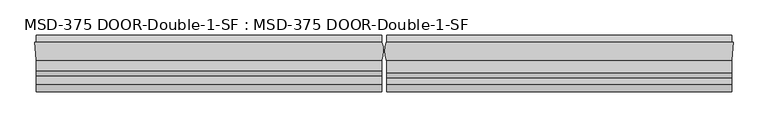
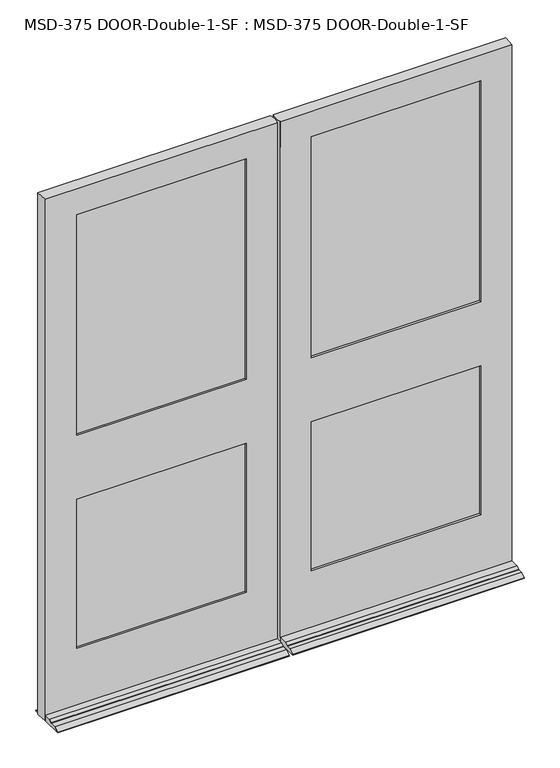
"""IFC4 building model written with IfcOpenShell, lengths in millimetres: plate geometry, MSD-375 DOOR-Double-1-SF : MSD-375 DOOR-Double-1-SF."""

from ifc_helpers import new_model, si_unit, frame, origin, place, context, project, spatial, polyline, circle_curve, outline, extrude, source, transform, mapped, element, save
from ifc_brep_helpers import plane_surface, cylinder_surface, advanced_brep


def msd_375_door_double_1_sf_msd_375_door_double_1_sf_7f9ff269(model_context):
    return source(origin(), model_context, "Body", "SolidModel", [
        advanced_brep(
        [(-875.0542327, -44.45, 0.0), (-877.8228327, 0.0, 0.0), (-874.8313901, 0.0, 0.0), (-874.8313901, 19.05, 0.0), (-6.1450388, 19.05, 0.0), (-6.1450388, 0.0, 0.0), (-5.5889985, 0.0, 0.0), (-6.1450388, -44.45, 0.0), (-6.1450388, -123.825, 0.0), (-874.8313901, -123.825, 0.0), (-874.8313901, -44.45, 0.0), (-6.1450388, -44.45, 21.4376), (-6.1450388, -70.3199, 21.4376), (-6.1450388, -82.7405, 14.2748), (-6.1450388, -82.7405, 12.7), (-6.1450388, -104.775, 12.7), (-6.1450388, -123.825, 3.175), (-6.1450388, 19.05, 3.175), (-6.1450388, 0.0, 12.7), (-874.8313901, 0.0, 12.7), (-874.8313901, 19.05, 3.175), (-874.8313901, -123.825, 3.175), (-874.8313901, -104.775, 12.7), (-874.8313901, -82.7405, 12.7), (-874.8313901, -82.7405, 14.2748), (-874.8313901, -70.3199, 21.4376), (-874.8313901, -44.45, 21.4376), (-122.2373508, -11.6078, 1070.7624), (-122.2373508, -37.0078, 1070.7624), (-122.2373508, -37.0078, 856.4372), (-122.2373508, -11.6078, 856.4372), (-122.2373508, 0.0, 836.5998), (-122.2373508, 0.0, 246.0625), (-122.2373508, -11.6078, 246.0625), (-122.2373508, -11.6078, 836.5998), (-122.2373508, -11.6078, 1090.5998), (-122.2373508, -11.6078, 1965.325), (-122.2373508, 0.0, 1965.325), (-122.2373508, 0.0, 1090.5998), (-102.3999508, -37.0078, 1985.1624), (-102.3999508, -11.6078, 1985.1624), (-102.3999508, -11.6078, 226.21875), (-102.3999508, -37.0078, 226.21875), (-122.2373508, -37.0078, 836.5998), (-122.2373508, -37.0078, 246.0625), (-122.2373508, -44.45, 246.0625), (-122.2373508, -44.45, 836.5998), (-122.2373508, -44.45, 1090.5998), (-122.2373508, -44.45, 1965.325), (-122.2373508, -37.0078, 1965.325), (-122.2373508, -37.0078, 1090.5998), (-757.1728327, -44.45, 246.0625), (-757.1728327, -37.0078, 246.0625), (-757.1728327, -37.0078, 836.5998), (-757.1728327, -44.45, 836.5998), (-757.1728327, -37.0078, 1965.325), (-757.1728327, -44.45, 1965.325), (-757.1728327, -44.45, 1090.5998), (-757.1728327, -37.0078, 1090.5998), (-777.0102327, -11.6078, 1985.1624), (-777.0102327, -37.0078, 1985.1624), (-777.0102327, -37.0078, 226.21875), (-777.0102327, -11.6078, 226.21875), (-757.1728327, -11.6078, 246.0625), (-757.1728327, 0.0, 246.0625), (-757.1728327, 0.0, 836.5998), (-757.1728327, -11.6078, 836.5998), (-757.1728327, 0.0, 1965.325), (-757.1728327, -11.6078, 1965.325), (-757.1728327, -11.6078, 1090.5998), (-757.1728327, 0.0, 1090.5998), (-757.1728327, -11.6078, 1070.7624), (-757.1728327, -37.0078, 1070.7624), (-757.1728327, -37.0078, 856.4372), (-757.1728327, -11.6078, 856.4372), (-5.5889985, 0.0, 2066.925), (-6.1450388, -44.45, 2066.925), (-875.0542327, -44.45, 2066.925), (-877.8228327, 0.0, 2066.925)],
        [
            (0, 1),
            (1, 2),
            (2, 3),
            (3, 4),
            (4, 5),
            (5, 6),
            (6, 7, circle_curve(frame((-61.4514685, -21.529675, 0.0), z_axis=(0.0, 0.0, -1.0), x_axis=(0.0, -1.0, 0.0)), 59.867708)),
            (7, 8),
            (8, 9),
            (9, 10),
            (10, 0),
            (11, 12),
            (12, 13),
            (13, 14),
            (14, 15),
            (15, 16),
            (16, 8),
            (7, 11),
            (4, 17),
            (17, 18),
            (18, 5),
            (19, 20),
            (20, 3),
            (2, 19),
            (9, 21),
            (21, 22),
            (22, 23),
            (23, 24),
            (24, 25),
            (25, 26),
            (26, 10),
            (27, 28),
            (28, 29),
            (29, 30),
            (30, 27),
            (31, 32),
            (32, 33),
            (33, 34),
            (34, 31),
            (35, 36),
            (36, 37),
            (37, 38),
            (38, 35),
            (39, 40),
            (40, 41),
            (41, 42),
            (42, 39),
            (43, 44),
            (44, 45),
            (45, 46),
            (46, 43),
            (47, 48),
            (48, 49),
            (49, 50),
            (50, 47),
            (51, 52),
            (52, 53),
            (53, 54),
            (54, 51),
            (55, 56),
            (56, 57),
            (57, 58),
            (58, 55),
            (59, 60),
            (60, 61),
            (61, 62),
            (62, 59),
            (63, 64),
            (64, 65),
            (65, 66),
            (66, 63),
            (67, 68),
            (68, 69),
            (69, 70),
            (70, 67),
            (63, 33),
            (32, 64),
            (61, 42),
            (41, 62),
            (51, 45),
            (44, 52),
            (11, 26),
            (25, 12),
            (24, 13),
            (23, 14),
            (22, 15),
            (21, 16),
            (20, 17),
            (19, 18),
            (38, 70),
            (69, 35),
            (27, 71),
            (71, 72),
            (72, 28),
            (50, 58),
            (57, 47),
            (46, 54),
            (53, 43),
            (29, 73),
            (73, 74),
            (74, 30),
            (34, 66),
            (65, 31),
            (75, 76, circle_curve(frame((-61.4514685, -21.529675, 2066.925), z_axis=(0.0, 0.0, -1.0), x_axis=(0.0, -1.0, 0.0)), 59.867708)),
            (76, 11),
            (6, 75),
            (77, 78),
            (78, 1),
            (0, 77),
            (78, 75),
            (37, 67),
            (36, 68),
            (40, 59),
            (74, 71),
            (39, 60),
            (49, 55),
            (72, 73),
            (48, 56),
            (76, 77),
        ],
        [
            plane_surface(frame((-882.65, -24.3078, 0.0), z_axis=(0.0, 0.0, -1.0), x_axis=(0.0, -1.0, 0.0))),
            plane_surface(frame((-6.1450388, -24.3078, 0.0), z_axis=(1.0, 0.0, 0.0), x_axis=(0.0, -1.0, 0.0))),
            plane_surface(frame((-874.8313901, -24.3078, 0.0), z_axis=(-1.0, 0.0, 0.0), x_axis=(0.0, -1.0, 0.0))),
            plane_surface(frame((-122.2373508, -24.3078, 1039.8125), z_axis=(1.0, 0.0, 0.0), x_axis=(0.0, -1.0, 0.0))),
            plane_surface(frame((-122.2373508, 0.0, 2066.925), z_axis=(-1.0, 0.0, 0.0), x_axis=(0.0, 0.0, -1.0))),
            plane_surface(frame((-102.3999508, -11.6078, 2066.925), z_axis=(-1.0, 0.0, 0.0), x_axis=(0.0, 0.0, -1.0))),
            plane_surface(frame((-122.2373508, -37.0078, 2066.925), z_axis=(-1.0, 0.0, 0.0), x_axis=(0.0, 0.0, -1.0))),
            plane_surface(frame((-757.1728327, -44.45, 2066.925), z_axis=(1.0, 0.0, 0.0), x_axis=(0.0, 0.0, -1.0))),
            plane_surface(frame((-777.0102327, -37.0078, 2066.925), z_axis=(1.0, 0.0, 0.0), x_axis=(0.0, 0.0, -1.0))),
            plane_surface(frame((-757.1728327, -11.6078, 2066.925), z_axis=(1.0, 0.0, 0.0), x_axis=(0.0, 0.0, -1.0))),
            plane_surface(frame((-6.1450388, 0.0, 246.0625), z_axis=(0.0, 0.0, 1.0), x_axis=(-1.0, 0.0, 0.0))),
            plane_surface(frame((-6.1450388, -11.6078, 226.21875), z_axis=(0.0, 0.0, 1.0), x_axis=(-1.0, 0.0, 0.0))),
            plane_surface(frame((-6.1450388, -37.0078, 246.0625), z_axis=(0.0, 0.0, 1.0), x_axis=(-1.0, 0.0, 0.0))),
            plane_surface(frame((-6.1450388, -44.45, 21.4376), z_axis=(0.0, 0.0, 1.0), x_axis=(-1.0, 0.0, 0.0))),
            plane_surface(frame((-6.1450388, -70.3199, 21.4376), z_axis=(0.0, -0.499569084188723, 0.8662740502420933), x_axis=(-1.0, 0.0, 0.0))),
            plane_surface(frame((-6.1450388, -82.7405, 14.2748), z_axis=(0.0, -1.0, 0.0), x_axis=(-1.0, 0.0, 0.0))),
            plane_surface(frame((-6.1450388, -82.7405, 12.7), z_axis=(0.0, 0.0, 1.0), x_axis=(-1.0, 0.0, 0.0))),
            plane_surface(frame((-6.1450388, -104.775, 12.7), z_axis=(0.0, -0.44721359549995665, 0.8944271909999165), x_axis=(-1.0, 0.0, 0.0))),
            plane_surface(frame((-6.1450388, -123.825, 3.175), z_axis=(0.0, -1.0, 0.0), x_axis=(-1.0, 0.0, 0.0))),
            plane_surface(frame((-6.1450388, 19.05, 0.0), z_axis=(0.0, 1.0, 0.0), x_axis=(-1.0, 0.0, 0.0))),
            plane_surface(frame((-6.1450388, 19.05, 3.175), z_axis=(0.0, 0.4472135954998658, 0.8944271909999619), x_axis=(-1.0, 0.0, 0.0))),
            plane_surface(frame((-122.2373508, 0.0, 1090.5998), z_axis=(0.0, 0.0, 1.0), x_axis=(-1.0, 0.0, 0.0))),
            plane_surface(frame((-122.2373508, -11.6078, 1070.7624), z_axis=(0.0, 0.0, 1.0), x_axis=(-1.0, 0.0, 0.0))),
            plane_surface(frame((-122.2373508, -37.0078, 1090.5998), z_axis=(0.0, 0.0, 1.0), x_axis=(-1.0, 0.0, 0.0))),
            plane_surface(frame((-122.2373508, -44.45, 836.5998), z_axis=(0.0, 0.0, -1.0), x_axis=(-1.0, 0.0, 0.0))),
            plane_surface(frame((-122.2373508, -37.0078, 856.4372), z_axis=(0.0, 0.0, -1.0), x_axis=(-1.0, 0.0, 0.0))),
            plane_surface(frame((-122.2373508, -11.6078, 836.5998), z_axis=(0.0, 0.0, -1.0), x_axis=(-1.0, 0.0, 0.0))),
            cylinder_surface(frame((-61.4514685, -21.529675, 2066.925), z_axis=(0.0, 0.0, 1.0), x_axis=(0.0, -1.0, 0.0)), 59.867708),
            plane_surface(frame((-877.8228327, 0.0, 2066.925), z_axis=(-0.9980658706879192, -0.06216524565998223, 0.0), x_axis=(0.0, 0.0, -1.0))),
            plane_surface(frame((-875.0542327, 0.0, 2066.925), z_axis=(0.0, 1.0, 0.0), x_axis=(1.0, 0.0, 0.0))),
            plane_surface(frame((-875.0542327, 0.0, 1965.325), z_axis=(0.0, 0.0, -1.0), x_axis=(1.0, 0.0, 0.0))),
            plane_surface(frame((-875.0542327, -11.6078, 1965.325), z_axis=(0.0, -1.0, 0.0), x_axis=(1.0, 0.0, 0.0))),
            plane_surface(frame((-875.0542327, -11.6078, 1985.1624), z_axis=(0.0, 0.0, -1.0), x_axis=(1.0, 0.0, 0.0))),
            plane_surface(frame((-875.0542327, -37.0078, 1985.1624), z_axis=(0.0, 1.0, 0.0), x_axis=(1.0, 0.0, 0.0))),
            plane_surface(frame((-875.0542327, -37.0078, 1965.325), z_axis=(0.0, 0.0, -1.0), x_axis=(1.0, 0.0, 0.0))),
            plane_surface(frame((-875.0542327, -44.45, 1965.325), z_axis=(0.0, -1.0, 0.0), x_axis=(1.0, 0.0, 0.0))),
            plane_surface(frame((-875.0542327, -44.45, 2066.925), z_axis=(0.0, 0.0, 1.0), x_axis=(1.0, 0.0, 0.0))),
            plane_surface(frame((-757.1728327, -24.3078, 1039.8125), z_axis=(-1.0, 0.0, 0.0), x_axis=(0.0, -1.0, 0.0))),
        ],
        [
            (0, [[1, 2, 3, 4, 5, 6, 7, 8, 9, 10, 11]]),
            (1, [[12, 13, 14, 15, 16, 17, -8, 18]]),
            (1, [[19, 20, 21, -5]]),
            (2, [[22, 23, -3, 24]]),
            (2, [[25, 26, 27, 28, 29, 30, 31, -10]]),
            (3, [[32, 33, 34, 35]]),
            (4, [[36, 37, 38, 39]]),
            (4, [[40, 41, 42, 43]]),
            (5, [[44, 45, 46, 47]]),
            (6, [[48, 49, 50, 51]]),
            (6, [[52, 53, 54, 55]]),
            (7, [[56, 57, 58, 59]]),
            (7, [[60, 61, 62, 63]]),
            (8, [[64, 65, 66, 67]]),
            (9, [[68, 69, 70, 71]]),
            (9, [[72, 73, 74, 75]]),
            (10, [[-68, 76, -37, 77]]),
            (11, [[-66, 78, -46, 79]]),
            (12, [[-56, 80, -49, 81]]),
            (13, [[-12, 82, -30, 83]]),
            (14, [[-13, -83, -29, 84]]),
            (15, [[-14, -84, -28, 85]]),
            (16, [[-15, -85, -27, 86]]),
            (17, [[-16, -86, -26, 87]]),
            (18, [[-17, -87, -25, -9]]),
            (19, [[-19, -4, -23, 88]]),
            (20, [[-20, -88, -22, 89]]),
            (21, [[90, -74, 91, -43]]),
            (22, [[-32, 92, 93, 94]]),
            (23, [[95, -62, 96, -55]]),
            (24, [[97, -58, 98, -51]]),
            (25, [[-34, 99, 100, 101]]),
            (26, [[102, -70, 103, -39]]),
            (27, [[104, 105, -18, -7, 106]]),
            (28, [[107, 108, -1, 109]]),
            (29, [[-108, 110, -106, -6, -21, -89, -24, -2], [-90, -42, 111, -75], [-103, -69, -77, -36]]),
            (30, [[-72, -111, -41, 112]]),
            (31, [[-67, -79, -45, 113], [-92, -35, -101, 114], [-102, -38, -76, -71], [-91, -73, -112, -40]]),
            (32, [[-64, -113, -44, 115]]),
            (33, [[-65, -115, -47, -78], [-95, -54, 116, -63], [-94, 117, -99, -33], [-98, -57, -81, -48]]),
            (34, [[-60, -116, -53, 118]]),
            (35, [[-109, -11, -31, -82, -105, 119], [-97, -50, -80, -59], [-96, -61, -118, -52]]),
            (36, [[-107, -119, -104, -110]]),
            (37, [[-100, -117, -93, -114]]),
        ],
    ),
        advanced_brep(
        [(6.1450388, -44.45, 0.0), (5.5889985, 0.0, 0.0), (6.1450388, 0.0, 0.0), (6.1450388, 19.05, 0.0), (874.3187994, 19.05, 0.0), (874.3187994, 0.0, 0.0), (877.310242, 0.0, 0.0), (874.541642, -44.45, 0.0), (874.3187994, -44.45, 0.0), (874.3187994, -123.825, 0.0), (6.1450388, -123.825, 0.0), (874.3187994, -44.45, 21.4376), (874.3187994, -75.87615, 21.4376), (874.3187994, -88.29675, 14.2748), (874.3187994, -88.29675, 12.7), (874.3187994, -104.775, 12.7), (874.3187994, -123.825, 3.175), (874.3187994, 19.05, 3.175), (874.3187994, 0.0, 12.7), (6.1450388, 0.0, 12.7), (6.1450388, 19.05, 3.175), (6.1450388, -123.825, 3.175), (6.1450388, -104.775, 12.7), (6.1450388, -88.29675, 12.7), (6.1450388, -88.29675, 14.2748), (6.1450388, -75.87615, 21.4376), (6.1450388, -44.45, 21.4376), (5.5889985, -44.45, 1965.325), (5.5889985, -44.45, 2066.925), (5.5889985, -43.05935, 2066.925), (5.5889985, -43.05935, 1965.325), (122.2376492, -37.0078, 1070.7624), (122.2376492, -11.6078, 1070.7624), (122.2376492, -11.6078, 856.4499), (122.2376492, -37.0078, 856.4499), (122.2376492, -37.0078, 1965.325), (122.2376492, -44.45, 1965.325), (122.2376492, -44.45, 1090.5998), (122.2376492, -37.0078, 1090.5998), (122.2376492, -37.0078, 836.5998), (122.2376492, -44.45, 836.5998), (122.2376492, -44.45, 246.0625), (122.2376492, -37.0078, 246.0625), (102.4002492, -11.6078, 226.21875), (102.4002492, -11.6078, 1985.1624), (102.4002492, -37.0078, 1985.1624), (102.4002492, -37.0078, 226.21875), (122.2376492, 0.0, 1965.325), (122.2376492, -11.6078, 1965.325), (122.2376492, -11.6078, 1090.5998), (122.2376492, 0.0, 1090.5998), (122.2376492, 0.0, 836.5998), (122.2376492, -11.6078, 836.5998), (122.2376492, -11.6078, 246.0625), (122.2376492, 0.0, 246.0625), (756.660242, -11.6078, 1965.325), (756.660242, 0.0, 1965.325), (756.660242, 0.0, 1090.5998), (756.660242, -11.6078, 1090.5998), (756.660242, -11.6078, 836.5998), (756.660242, 0.0, 836.5998), (756.660242, 0.0, 246.0625), (756.660242, -11.6078, 246.0625), (776.497642, -11.6078, 1985.1624), (776.497642, -11.6078, 226.21875), (756.660242, -11.6078, 856.4499), (756.660242, -11.6078, 1070.7624), (776.497642, -37.0078, 226.21875), (776.497642, -37.0078, 1985.1624), (756.660242, -37.0078, 246.0625), (756.660242, -37.0078, 836.5998), (756.660242, -37.0078, 1965.325), (756.660242, -37.0078, 1090.5998), (756.660242, -37.0078, 856.4499), (756.660242, -37.0078, 1070.7624), (756.660242, -44.45, 1965.325), (756.660242, -44.45, 1090.5998), (756.660242, -44.45, 836.5998), (756.660242, -44.45, 246.0625), (6.1450388, -44.45, 1965.325), (874.541642, -44.45, 2066.925), (877.310242, 0.0, 2066.925), (5.5889985, 0.0, 2066.925)],
        [
            (0, 1, circle_curve(frame((61.4514685, -21.529675, 0.0), z_axis=(0.0, 0.0, -1.0), x_axis=(0.0, -1.0, 0.0)), 59.867708)),
            (1, 2),
            (2, 3),
            (3, 4),
            (4, 5),
            (5, 6),
            (6, 7),
            (7, 8),
            (8, 9),
            (9, 10),
            (10, 0),
            (11, 12),
            (12, 13),
            (13, 14),
            (14, 15),
            (15, 16),
            (16, 9),
            (8, 11),
            (4, 17),
            (17, 18),
            (18, 5),
            (19, 20),
            (20, 3),
            (2, 19),
            (10, 21),
            (21, 22),
            (22, 23),
            (23, 24),
            (24, 25),
            (25, 26),
            (26, 0),
            (27, 28),
            (28, 29),
            (29, 30),
            (30, 27),
            (31, 32),
            (32, 33),
            (33, 34),
            (34, 31),
            (35, 36),
            (36, 37),
            (37, 38),
            (38, 35),
            (39, 40),
            (40, 41),
            (41, 42),
            (42, 39),
            (43, 44),
            (44, 45),
            (45, 46),
            (46, 43),
            (47, 48),
            (48, 49),
            (49, 50),
            (50, 47),
            (51, 52),
            (52, 53),
            (53, 54),
            (54, 51),
            (55, 56),
            (56, 57),
            (57, 58),
            (58, 55),
            (59, 60),
            (60, 61),
            (61, 62),
            (62, 59),
            (63, 44),
            (43, 64),
            (64, 63),
            (62, 53),
            (52, 59),
            (48, 55),
            (58, 49),
            (65, 33),
            (32, 66),
            (66, 65),
            (67, 68),
            (68, 63),
            (64, 67),
            (45, 68),
            (67, 46),
            (42, 69),
            (69, 70),
            (70, 39),
            (71, 35),
            (38, 72),
            (72, 71),
            (34, 73),
            (73, 74),
            (74, 31),
            (75, 71),
            (72, 76),
            (76, 75),
            (77, 70),
            (69, 78),
            (78, 77),
            (27, 79),
            (79, 26),
            (26, 11),
            (7, 80),
            (80, 28),
            (78, 41),
            (40, 77),
            (36, 75),
            (76, 37),
            (81, 80),
            (6, 81),
            (18, 19),
            (1, 82),
            (82, 81),
            (54, 61),
            (60, 51),
            (56, 47),
            (50, 57),
            (30, 79, circle_curve(frame((61.4514685, -21.529675, 1965.325), z_axis=(0.0, 0.0, 1.0), x_axis=(0.0, -1.0, 0.0)), 59.867708)),
            (25, 12),
            (65, 73),
            (74, 66),
            (29, 82, circle_curve(frame((61.4514685, -21.529675, 2066.925), z_axis=(0.0, 0.0, -1.0), x_axis=(0.0, -1.0, 0.0)), 59.867708)),
            (24, 13),
            (23, 14),
            (22, 15),
            (21, 16),
            (20, 17),
        ],
        [
            plane_surface(frame((-882.65, -24.3078, 0.0), z_axis=(0.0, 0.0, -1.0), x_axis=(0.0, -1.0, 0.0))),
            plane_surface(frame((874.3187994, -24.3078, 0.0), z_axis=(1.0, 0.0, 0.0), x_axis=(0.0, -1.0, 0.0))),
            plane_surface(frame((6.1450388, -24.3078, 0.0), z_axis=(-1.0, 0.0, 0.0), x_axis=(0.0, -1.0, 0.0))),
            plane_surface(frame((5.5889985, -24.3078, 2079.625), z_axis=(-1.0, 0.0, 0.0), x_axis=(0.0, -1.0, 0.0))),
            plane_surface(frame((122.2376492, -24.3078, 1039.8125), z_axis=(-1.0, 0.0, 0.0), x_axis=(0.0, -1.0, 0.0))),
            plane_surface(frame((122.2376492, -44.45, 2066.925), z_axis=(1.0, 0.0, 0.0), x_axis=(0.0, 0.0, -1.0))),
            plane_surface(frame((102.4002492, -37.0078, 2066.925), z_axis=(1.0, 0.0, 0.0), x_axis=(0.0, 0.0, -1.0))),
            plane_surface(frame((122.2376492, -11.6078, 2066.925), z_axis=(1.0, 0.0, 0.0), x_axis=(0.0, 0.0, -1.0))),
            plane_surface(frame((756.660242, 0.0, 2066.925), z_axis=(-1.0, 0.0, 0.0), x_axis=(0.0, 0.0, -1.0))),
            plane_surface(frame((756.660242, -11.6078, 2066.925), z_axis=(0.0, -1.0, 0.0), x_axis=(0.0, 0.0, -1.0))),
            plane_surface(frame((776.497642, -11.6078, 2066.925), z_axis=(-1.0, 0.0, 0.0), x_axis=(0.0, 0.0, -1.0))),
            plane_surface(frame((776.497642, -37.0078, 2066.925), z_axis=(0.0, 1.0, 0.0), x_axis=(0.0, 0.0, -1.0))),
            plane_surface(frame((756.660242, -37.0078, 2066.925), z_axis=(-1.0, 0.0, 0.0), x_axis=(0.0, 0.0, -1.0))),
            plane_surface(frame((756.660242, -44.45, 2066.925), z_axis=(0.0, -1.0, 0.0), x_axis=(0.0, 0.0, -1.0))),
            plane_surface(frame((874.541642, -44.45, 2066.925), z_axis=(0.9980658706879184, -0.062165245659993755, 0.0), x_axis=(0.0, 0.0, -1.0))),
            plane_surface(frame((877.310242, 0.0, 2066.925), z_axis=(0.0, 1.0, 0.0), x_axis=(0.0, 0.0, -1.0))),
            plane_surface(frame((5.5889985, 0.0, 1965.325), z_axis=(0.0, 0.0, -1.0), x_axis=(1.0, 0.0, 0.0))),
            plane_surface(frame((5.5889985, -11.6078, 1985.1624), z_axis=(0.0, 0.0, -1.0), x_axis=(1.0, 0.0, 0.0))),
            plane_surface(frame((5.5889985, -37.0078, 1965.325), z_axis=(0.0, 0.0, -1.0), x_axis=(1.0, 0.0, 0.0))),
            plane_surface(frame((874.3187994, 0.0, 246.0625), z_axis=(0.0, 0.0, 1.0), x_axis=(-1.0, 0.0, 0.0))),
            plane_surface(frame((874.3187994, -11.6078, 226.21875), z_axis=(0.0, 0.0, 1.0), x_axis=(-1.0, 0.0, 0.0))),
            plane_surface(frame((874.3187994, -37.0078, 246.0625), z_axis=(0.0, 0.0, 1.0), x_axis=(-1.0, 0.0, 0.0))),
            plane_surface(frame((874.3187994, -44.45, 21.4376), z_axis=(0.0, 0.0, 1.0), x_axis=(-1.0, 0.0, 0.0))),
            plane_surface(frame((756.660242, -44.45, 836.5998), z_axis=(0.0, 0.0, -1.0), x_axis=(-1.0, 0.0, 0.0))),
            plane_surface(frame((756.660242, -37.0078, 856.4499), z_axis=(0.0, 0.0, -1.0), x_axis=(-1.0, 0.0, 0.0))),
            plane_surface(frame((756.660242, -11.6078, 836.5998), z_axis=(0.0, 0.0, -1.0), x_axis=(-1.0, 0.0, 0.0))),
            plane_surface(frame((756.660242, 0.0, 1090.5998), z_axis=(0.0, 0.0, 1.0), x_axis=(-1.0, 0.0, 0.0))),
            plane_surface(frame((756.660242, -11.6078, 1070.7624), z_axis=(0.0, 0.0, 1.0), x_axis=(-1.0, 0.0, 0.0))),
            plane_surface(frame((756.660242, -37.0078, 1090.5998), z_axis=(0.0, 0.0, 1.0), x_axis=(-1.0, 0.0, 0.0))),
            cylinder_surface(frame((61.4514685, -21.529675, 2066.925), z_axis=(0.0, 0.0, 1.0), x_axis=(0.0, -1.0, 0.0)), 59.867708),
            plane_surface(frame((-875.0542327, -44.45, 2066.925), z_axis=(0.0, 0.0, 1.0), x_axis=(1.0, 0.0, 0.0))),
            plane_surface(frame((874.3187994, -75.87615, 21.4376), z_axis=(0.0, -0.49956908418867013, 0.8662740502421237), x_axis=(-1.0, 0.0, 0.0))),
            plane_surface(frame((874.3187994, -88.29675, 14.2748), z_axis=(0.0, -1.0, 0.0), x_axis=(-1.0, 0.0, 0.0))),
            plane_surface(frame((874.3187994, -88.29675, 12.7), z_axis=(0.0, 0.0, 1.0), x_axis=(-1.0, 0.0, 0.0))),
            plane_surface(frame((874.3187994, -104.775, 12.7), z_axis=(0.0, -0.44721359549996115, 0.8944271909999144), x_axis=(-1.0, 0.0, 0.0))),
            plane_surface(frame((874.3187994, -123.825, 3.175), z_axis=(0.0, -1.0, 0.0), x_axis=(-1.0, 0.0, 0.0))),
            plane_surface(frame((874.3187994, 19.05, 0.0), z_axis=(0.0, 1.0, 0.0), x_axis=(-1.0, 0.0, 0.0))),
            plane_surface(frame((874.3187994, 19.05, 3.175), z_axis=(0.0, 0.4472135954999116, 0.8944271909999391), x_axis=(-1.0, 0.0, 0.0))),
            plane_surface(frame((756.660242, -24.3078, 1039.8125), z_axis=(1.0, 0.0, 0.0), x_axis=(0.0, -1.0, 0.0))),
        ],
        [
            (0, [[1, 2, 3, 4, 5, 6, 7, 8, 9, 10, 11]]),
            (1, [[12, 13, 14, 15, 16, 17, -9, 18]]),
            (1, [[19, 20, 21, -5]]),
            (2, [[22, 23, -3, 24]]),
            (2, [[25, 26, 27, 28, 29, 30, 31, -11]]),
            (3, [[32, 33, 34, 35]]),
            (4, [[36, 37, 38, 39]]),
            (5, [[40, 41, 42, 43]]),
            (5, [[44, 45, 46, 47]]),
            (6, [[48, 49, 50, 51]]),
            (7, [[52, 53, 54, 55]]),
            (7, [[56, 57, 58, 59]]),
            (8, [[60, 61, 62, 63]]),
            (8, [[64, 65, 66, 67]]),
            (9, [[68, -48, 69, 70], [-67, 71, -57, 72], [73, -63, 74, -53], [75, -37, 76, 77]]),
            (10, [[78, 79, -70, 80]]),
            (11, [[81, -78, 82, -50], [-47, 83, 84, 85], [86, -43, 87, 88], [89, 90, 91, -39]]),
            (12, [[92, -88, 93, 94]]),
            (12, [[95, -84, 96, 97]]),
            (13, [[-32, 98, 99, 100, -18, -8, 101, 102], [-97, 103, -45, 104], [105, -94, 106, -41]]),
            (14, [[107, -101, -7, 108]]),
            (15, [[-108, -6, -21, 109, -24, -2, 110, 111], [-59, 112, -65, 113], [114, -55, 115, -61]]),
            (16, [[-73, -52, -114, -60]]),
            (17, [[-79, -81, -49, -68]]),
            (18, [[-98, -35, 116]]),
            (18, [[-105, -40, -86, -92]]),
            (19, [[-112, -58, -71, -66]]),
            (20, [[-82, -80, -69, -51]]),
            (21, [[-83, -46, -103, -96]]),
            (22, [[-12, -100, -30, 117]]),
            (23, [[-104, -44, -85, -95]]),
            (24, [[118, -89, -38, -75]]),
            (25, [[-72, -56, -113, -64]]),
            (26, [[-115, -54, -74, -62]]),
            (27, [[119, -76, -36, -91]]),
            (28, [[-106, -93, -87, -42]]),
            (29, [[-1, -31, -99, -116, -34, 120, -110]]),
            (30, [[-107, -111, -120, -33, -102]]),
            (31, [[-13, -117, -29, 121]]),
            (32, [[-14, -121, -28, 122]]),
            (33, [[-15, -122, -27, 123]]),
            (34, [[-16, -123, -26, 124]]),
            (35, [[-17, -124, -25, -10]]),
            (36, [[-19, -4, -23, 125]]),
            (37, [[-109, -20, -125, -22]]),
            (38, [[-118, -77, -119, -90]]),
        ],
    ),
        extrude(outline(polyline([(-777.0102327, -11.6078), (-102.4001, -11.6078), (-102.4001, -16.6878), (-777.0102327, -16.6878), (-777.0102327, -11.6078)])), frame((0.0, 0.0, 226.21875), z_axis=(0.0, 0.0, 1.0), x_axis=(1.0, 0.0, 0.0)), (0.0, 0.0, 1.0), 630.23115),
        extrude(outline(polyline([(-102.4001, -26.0858), (-102.4001, -31.1658), (-777.0102327, -31.1658), (-777.0102327, -26.0858), (-102.4001, -26.0858)])), frame((0.0, 0.0, 226.21875), z_axis=(0.0, 0.0, 1.0), x_axis=(1.0, 0.0, 0.0)), (0.0, 0.0, 1.0), 630.23115),
        extrude(outline(polyline([(-777.0102327, -31.9278), (-102.4001, -31.9278), (-102.4001, -37.0078), (-777.0102327, -37.0078), (-777.0102327, -31.9278)])), frame((0.0, 0.0, 226.21875), z_axis=(0.0, 0.0, 1.0), x_axis=(1.0, 0.0, 0.0)), (0.0, 0.0, 1.0), 630.23115),
        extrude(outline(polyline([(102.4002492, -11.6078), (776.497642, -11.6078), (776.497642, -16.6878), (102.4002492, -16.6878), (102.4002492, -11.6078)])), frame((0.0, 0.0, 226.21875), z_axis=(0.0, 0.0, 1.0), x_axis=(1.0, 0.0, 0.0)), (0.0, 0.0, 1.0), 630.23115),
        extrude(outline(polyline([(776.497642, -26.0858), (776.497642, -31.1658), (102.4002492, -31.1658), (102.4002492, -26.0858), (776.497642, -26.0858)])), frame((0.0, 0.0, 226.21875), z_axis=(0.0, 0.0, 1.0), x_axis=(1.0, 0.0, 0.0)), (0.0, 0.0, 1.0), 630.23115),
        extrude(outline(polyline([(102.4002492, -31.9278), (776.497642, -31.9278), (776.497642, -37.0078), (102.4002492, -37.0078), (102.4002492, -31.9278)])), frame((0.0, 0.0, 226.21875), z_axis=(0.0, 0.0, 1.0), x_axis=(1.0, 0.0, 0.0)), (0.0, 0.0, 1.0), 630.23115),
        extrude(outline(polyline([(-777.0102327, -11.6078), (-102.3999508, -11.6078), (-102.3999508, -16.6878), (-777.0102327, -16.6878), (-777.0102327, -11.6078)])), frame((0.0, 0.0, 1070.7624), z_axis=(0.0, 0.0, 1.0), x_axis=(1.0, 0.0, 0.0)), (0.0, 0.0, 1.0), 914.4),
        extrude(outline(polyline([(-102.4001, -26.0858), (-102.4001, -31.1658), (-777.0102327, -31.1658), (-777.0102327, -26.0858), (-102.4001, -26.0858)])), frame((0.0, 0.0, 1070.7624), z_axis=(0.0, 0.0, 1.0), x_axis=(1.0, 0.0, 0.0)), (0.0, 0.0, 1.0), 914.4),
        extrude(outline(polyline([(-102.4001, -31.9278), (-102.4001, -37.0078), (-777.0102327, -37.0078), (-777.0102327, -31.9278), (-102.4001, -31.9278)])), frame((0.0, 0.0, 1070.7624), z_axis=(0.0, 0.0, 1.0), x_axis=(1.0, 0.0, 0.0)), (0.0, 0.0, 1.0), 914.4),
        extrude(outline(polyline([(776.497642, -11.6078), (776.497642, -16.6878), (102.4002492, -16.6878), (102.4002492, -11.6078), (776.497642, -11.6078)])), frame((0.0, 0.0, 1070.7624), z_axis=(0.0, 0.0, 1.0), x_axis=(1.0, 0.0, 0.0)), (0.0, 0.0, 1.0), 914.4),
        extrude(outline(polyline([(102.4002492, -26.0858), (776.497642, -26.0858), (776.497642, -31.1658), (102.4002492, -31.1658), (102.4002492, -26.0858)])), frame((0.0, 0.0, 1070.7624), z_axis=(0.0, 0.0, 1.0), x_axis=(1.0, 0.0, 0.0)), (0.0, 0.0, 1.0), 914.4),
        extrude(outline(polyline([(776.497642, -31.9278), (776.497642, -37.0078), (102.4002492, -37.0078), (102.4002492, -31.9278), (776.497642, -31.9278)])), frame((0.0, 0.0, 1070.7624), z_axis=(0.0, 0.0, 1.0), x_axis=(1.0, 0.0, 0.0)), (0.0, 0.0, 1.0), 914.4),
    ])


if __name__ == "__main__":
    model = new_model("IFC4")
    model_context = context("Model", 3, world=origin())
    ifc_project = project(units=[si_unit("LENGTHUNIT", "METRE", prefix="MILLI")], contexts=[model_context])
    site = spatial("IfcSite", under=ifc_project)
    building = spatial("IfcBuilding", under=site)
    placement = place(None, origin())
    msd_375_door_double_1_sf_msd_375_door_double_1_sf_shape = msd_375_door_double_1_sf_msd_375_door_double_1_sf_7f9ff269(model_context)
    element("IfcPlate", 1, ObjectType="MSD-375 DOOR-Double-1-SF : MSD-375 DOOR-Double-1-SF", at=placement, inside=building, context=model_context, shape_type="MappedRepresentation", body=[
        mapped(msd_375_door_double_1_sf_msd_375_door_double_1_sf_shape, transform((0.0, 0.0, 0.0), x_axis=(1.0, 0.0, 0.0), y_axis=(0.0, 1.0, 0.0), z_axis=(0.0, 0.0, 1.0))),
    ])
    save(model, "model.ifc")
